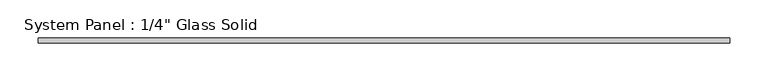
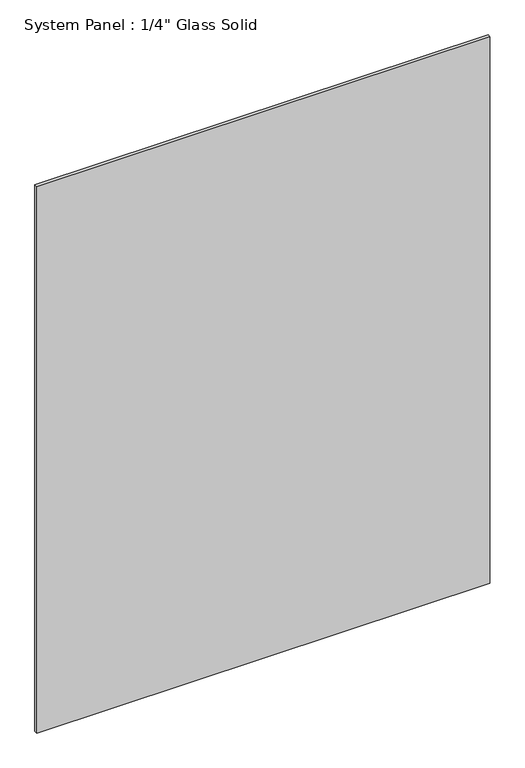
"""IFC4 building model written with IfcOpenShell, lengths in millimetres: plate geometry."""

from ifc_helpers import new_model, si_unit, origin, origin_with_axes, place, context, project, spatial, polyline, outline, extrude, source, transform, mapped, element, save


def plate_09b2be6e(model_context):
    return source(origin(), model_context, "Body", "SweptSolid", [
        extrude(outline(polyline([(453.0180865, -3.175), (-453.0180865, -3.175), (-453.0180865, 3.175), (453.0180865, 3.175), (453.0180865, -3.175)])), origin_with_axes(), (0.0, 0.0, 1.0), 1154.5441382),
    ])


if __name__ == "__main__":
    model = new_model("IFC4")
    model_context = context("Model", 3, world=origin())
    ifc_project = project(units=[si_unit("LENGTHUNIT", "METRE", prefix="MILLI")], contexts=[model_context])
    site = spatial("IfcSite", under=ifc_project)
    building = spatial("IfcBuilding", under=site)
    placement = place(None, origin())
    plate_shape = plate_09b2be6e(model_context)
    element("IfcPlate", 1, ObjectType="System Panel : 1/4\" Glass Solid", at=placement, inside=building, context=model_context, shape_type="MappedRepresentation", body=[
        mapped(plate_shape, transform((0.0, 0.0, 0.0), x_axis=(1.0, 0.0, 0.0), y_axis=(0.0, 1.0, 0.0), z_axis=(0.0, 0.0, 1.0))),
    ])
    save(model, "model.ifc")
